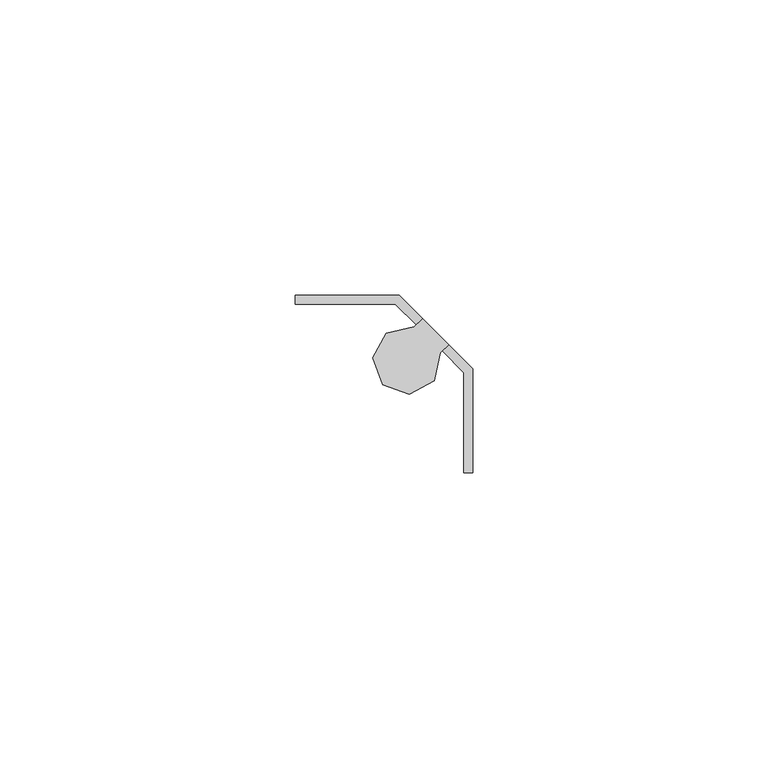
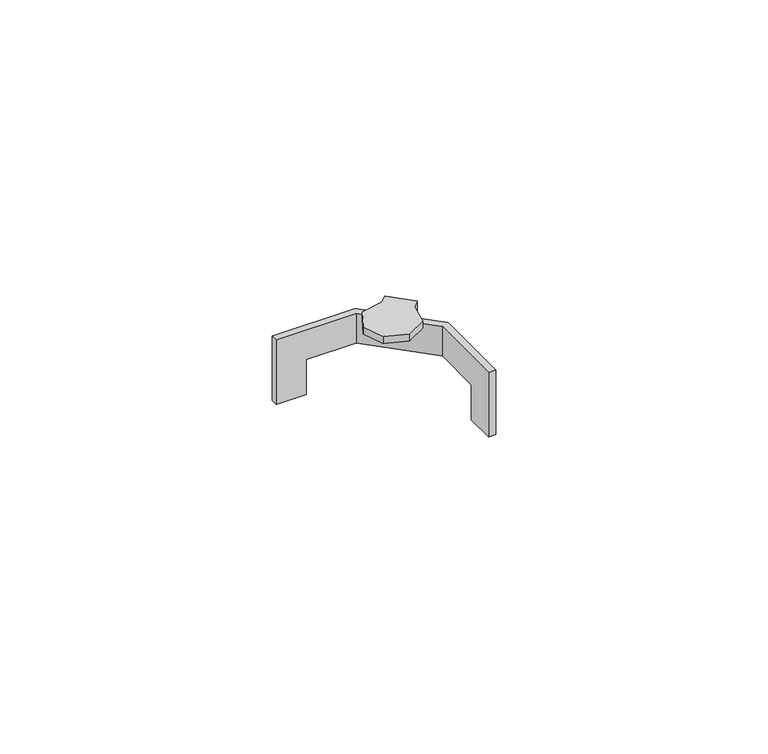
"""IFC4 building model written with IfcOpenShell, lengths in millimetres: furniture geometry."""

from ifc_helpers import new_model, si_unit, origin, place, context, project, spatial, faceted_brep, source, transform, mapped, element, save


def furniture_31fd7bd7(model_context):
    return source(origin(), model_context, "Body", "Brep", [
        faceted_brep([(13.4619997, -16.6624005, 1685.036), (11.938, -16.6624005, 1685.036), (11.938, -10.3123997, 1685.036), (13.4619997, -10.3123997, 1685.036), (-16.6624005, 13.4619997, 1685.036), (-10.3123997, 13.4619997, 1685.036), (-10.3123997, 11.938, 1685.036), (-16.6624005, 11.938, 1685.036), (-16.6624005, 11.938, 1699.5140407), (-16.6624005, 13.4619997, 1699.5140407), (-10.3123997, 11.938, 1692.9100107), (0.3126179, 11.938, 1692.9100107), (0.3126179, 11.938, 1699.5140407), (11.938, -16.6624005, 1699.5140407), (11.938, 0.3126179, 1699.5140407), (11.938, 0.3126179, 1692.9100107), (11.938, -10.3123997, 1692.9100107), (13.4619997, -16.6624005, 1699.5140407), (13.4619997, -10.3123997, 1692.9100107), (13.4619997, 0.9438794, 1692.9100107), (13.4619997, 0.9438794, 1699.5140407), (0.9438794, 13.4619997, 1699.5140407), (0.9438794, 13.4619997, 1692.9100107), (-10.3123997, 13.4619997, 1692.9100107), (3.8526658, 8.3979521, 1699.5140407), (4.9302965, 9.4755825, 1699.5140407), (9.3306218, 5.0752572, 1699.5140407), (8.2529914, 3.9976265, 1699.5140407), (8.2529914, 3.9976265, 1701.8000203), (3.8526658, 8.3979521, 1701.8000203), (4.9302965, 9.4755825, 1703.3240552), (9.3306218, 5.0752572, 1703.3240552), (3.5109947, 8.0562811, 1703.3240552), (-1.198128, 7.035436, 1703.3240552), (-3.5048245, 2.804937, 1703.3240552), (-1.8121944, -1.7064898, 1703.3240552), (2.7079737, -3.375636, 1703.3240552), (6.9264196, -1.046971, 1703.3240552), (7.9227626, 3.6673977, 1703.3240552), (3.5109947, 8.0562811, 1701.8000203), (7.9227626, 3.6673977, 1701.8000203), (6.9264196, -1.046971, 1701.8000203), (2.7079737, -3.375636, 1701.8000203), (-1.8121944, -1.7064898, 1701.8000203), (-3.5048245, 2.804937, 1701.8000203), (-1.198128, 7.035436, 1701.8000203)], [[[0, 1, 2, 3]], [[4, 5, 6, 7]], [[4, 7, 8, 9]], [[7, 6, 10, 11, 12, 8]], [[2, 1, 13, 14, 15, 16]], [[1, 0, 17, 13]], [[0, 3, 18, 19, 20, 17]], [[5, 4, 9, 21, 22, 23]], [[6, 5, 23, 10]], [[3, 2, 16, 18]], [[9, 8, 12, 24, 25, 21]], [[14, 13, 17, 20, 26, 27]], [[22, 19, 18, 16, 15, 11, 10, 23]], [[11, 15, 14, 27, 28, 29, 24, 12]], [[19, 22, 21, 25, 30, 31, 26, 20]], [[31, 30, 32, 33, 34, 35, 36, 37, 38]], [[32, 30, 25, 24, 29, 39]], [[31, 38, 40, 28, 27, 26]], [[40, 41, 42, 43, 44, 45, 39, 29, 28]], [[33, 32, 39, 45]], [[34, 33, 45, 44]], [[35, 34, 44, 43]], [[36, 35, 43, 42]], [[37, 36, 42, 41]], [[38, 37, 41, 40]]]),
    ])


if __name__ == "__main__":
    model = new_model("IFC4")
    model_context = context("Model", 3, world=origin())
    ifc_project = project(units=[si_unit("LENGTHUNIT", "METRE", prefix="MILLI")], contexts=[model_context])
    site = spatial("IfcSite", under=ifc_project)
    building = spatial("IfcBuilding", under=site)
    placement = place(None, origin())
    furniture_shape = furniture_31fd7bd7(model_context)
    element("IfcFurniture", 1, at=placement, inside=building, context=model_context, shape_type="MappedRepresentation", body=[
        mapped(furniture_shape, transform((0.0, 0.0, 0.0), x_axis=(1.0, 0.0, 0.0), y_axis=(0.0, 1.0, 0.0), z_axis=(0.0, 0.0, 1.0))),
    ])
    save(model, "model.ifc")
